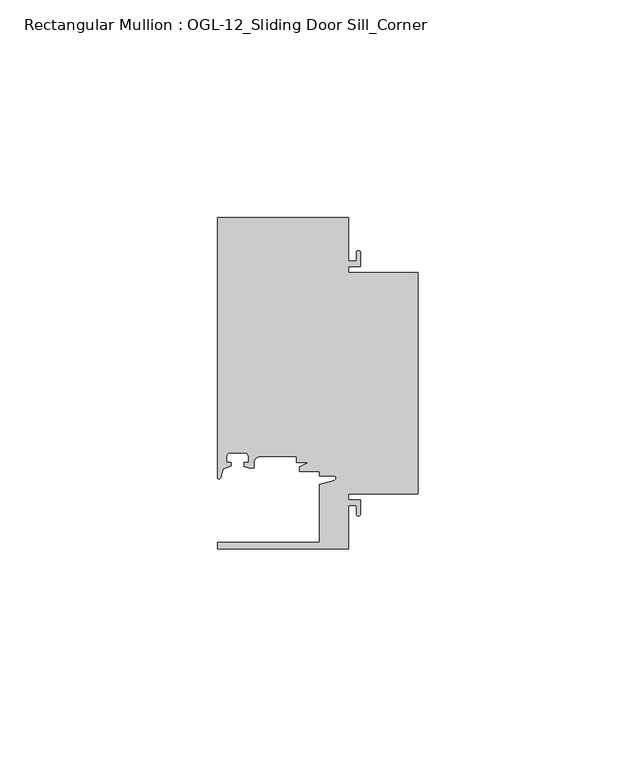
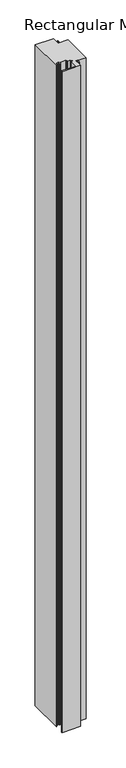
"""IFC4 building model written with IfcOpenShell, lengths in millimetres: member geometry, Rectangular Mullion : OGL-12_Sliding Door Sill_Corner."""

from ifc_helpers import new_model, si_unit, point, frame, frame_2d, origin, place, context, project, spatial, polyline, circle_curve, trimmed, segment, composite_curve, outline, extrude, source, transform, mapped, element, save


def rectangular_mullion_ogl_12_sliding_door_sill_corner_be5e848a(model_context):
    return source(origin(), model_context, "Body", "SweptSolid", [
        extrude(outline(composite_curve([segment(polyline([(0.0, 4.7625), (-15.934238, 4.7625), (-15.934238, 3.3151991), (-13.2417195, 3.3151991), (-13.2417195, 0.1196497)]), True, "CONTINUOUS"), segment(trimmed(circle_curve(frame_2d((-13.6974747, 0.1196497)), 0.4557552), [point((-13.2417195, 0.1196497))], [point((-14.15323, 0.1196497))], False, "CARTESIAN"), True, "CONTINUOUS"), segment(polyline([(-14.15323, 0.1196497), (-14.15323, 2.1086991), (-15.934238, 2.1086991), (-15.934238, -7.9371792), (-46.0931306, -7.9371792), (-46.0931306, -6.3496792), (-22.6260049, -6.3496792), (-22.6260049, 6.8788334), (-19.2086572, 7.8587421)]), True, "CONTINUOUS"), segment(trimmed(circle_curve(frame_2d((-19.3562398, 8.373424)), 0.5354233), [point((-19.2086572, 7.8587421))], [point((-19.3562398, 8.9088472))], True, "CARTESIAN"), True, "CONTINUOUS"), segment(polyline([(-19.3562398, 8.9088472), (-22.6027094, 8.9088472), (-22.6027094, 9.9460025), (-27.2970068, 9.9460025), (-27.2970068, 10.896705), (-25.1995125, 12.0119625), (-27.9268052, 12.0119625), (-27.9268052, 13.2988211), (-36.3386331, 13.2988211)]), True, "CONTINUOUS"), segment(trimmed(circle_curve(frame_2d((-36.3386331, 11.8846104)), 1.4142107), [point((-36.3386331, 13.2988211))], [point((-37.7528423, 11.8825031))], True, "CARTESIAN"), True, "CONTINUOUS"), segment(polyline([(-37.7528423, 11.8825031), (-37.7528423, 10.6805611), (-38.8813571, 10.7133647), (-39.9812066, 11.0948795), (-39.9812066, 11.9378256), (-39.0028438, 11.9378256), (-39.0028438, 13.3878227)]), True, "CONTINUOUS"), segment(trimmed(circle_curve(frame_2d((-39.8028422, 13.3878227)), 0.7999984), [point((-39.0028438, 13.3878227))], [point((-39.8028422, 14.1878211))], True, "CARTESIAN"), True, "CONTINUOUS"), segment(polyline([(-39.8028422, 14.1878211), (-43.2028354, 14.1878211)]), True, "CONTINUOUS"), segment(trimmed(circle_curve(frame_2d((-43.2028354, 13.3878227)), 0.7999984), [point((-43.2028354, 14.1878211))], [point((-44.0028338, 13.3878227))], True, "CARTESIAN"), True, "CONTINUOUS"), segment(polyline([(-44.0028338, 13.3878227), (-44.0028338, 11.9378256), (-43.0244711, 11.9378256), (-43.0244711, 11.1260664), (-44.83413, 10.5380726), (-45.434586, 8.4440335)]), True, "CONTINUOUS"), segment(trimmed(circle_curve(frame_2d((-45.7573546, 8.5365859)), 0.335776), [point((-45.434586, 8.4440335))], [point((-46.0931306, 8.5365859))], False, "CARTESIAN"), True, "CONTINUOUS"), segment(polyline([(-46.0931306, 8.5365859), (-46.0931306, 68.2628208), (-15.934238, 68.2628208), (-15.934238, 58.2169425), (-14.15323, 58.2169425), (-14.15323, 60.2053503)]), True, "CONTINUOUS"), segment(trimmed(circle_curve(frame_2d((-13.6974747, 60.2053503)), 0.4557552), [point((-14.15323, 60.2053503))], [point((-13.2417195, 60.2053503))], False, "CARTESIAN"), True, "CONTINUOUS"), segment(polyline([(-13.2417195, 60.2053503), (-13.2417195, 57.0104425), (-15.934238, 57.0104425), (-15.934238, 55.5625), (0.0, 55.5625), (0.0, 4.7625)]), True, "CONTINUOUS")], self_intersect=False)), frame((0.0, 0.0, -1139.8259345), z_axis=(0.0, 0.0, 1.0), x_axis=(1.0, 0.0, 0.0)), (0.0, 0.0, 1.0), 1139.8259345),
    ])


if __name__ == "__main__":
    model = new_model("IFC4")
    model_context = context("Model", 3, world=origin())
    ifc_project = project(units=[si_unit("LENGTHUNIT", "METRE", prefix="MILLI")], contexts=[model_context])
    site = spatial("IfcSite", under=ifc_project)
    building = spatial("IfcBuilding", under=site)
    placement = place(None, origin())
    rectangular_mullion_ogl_12_sliding_door_sill_corner_shape = rectangular_mullion_ogl_12_sliding_door_sill_corner_be5e848a(model_context)
    element("IfcMember", 1, ObjectType="Rectangular Mullion : OGL-12_Sliding Door Sill_Corner", at=placement, inside=building, context=model_context, shape_type="MappedRepresentation", body=[
        mapped(rectangular_mullion_ogl_12_sliding_door_sill_corner_shape, transform((0.0, 0.0, 0.0), x_axis=(1.0, 0.0, 0.0), y_axis=(0.0, 1.0, 0.0), z_axis=(0.0, 0.0, 1.0))),
    ])
    save(model, "model.ifc")
